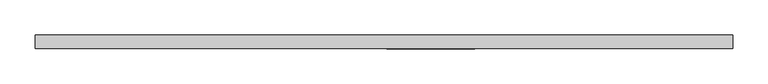
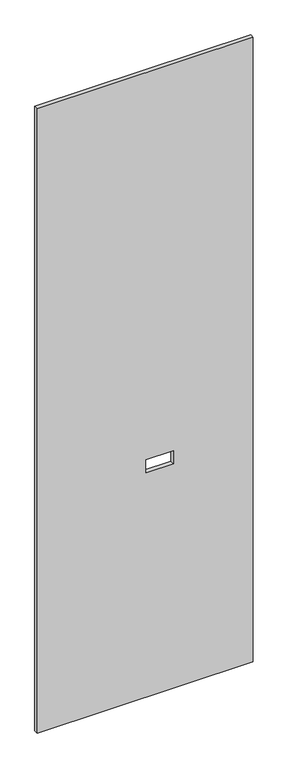
"""IFC4 building model written with IfcOpenShell, lengths in millimetres: proxy geometry."""

from ifc_helpers import new_model, si_unit, frame, origin, place, context, project, spatial, polyline, outline, extrude, source, transform, mapped, element, save


def specialty_equipment_da270d2b(model_context):
    return source(origin(), model_context, "Body", "SweptSolid", [
        extrude(outline(polyline([(3016.25, 493.4204), (3016.25, -493.4204), (3.175, -493.4204), (3.175, 493.4204), (3016.25, 493.4204)]), holes=[polyline([(1148.715, 128.524), (1086.485, 128.524), (1086.485, 4.064), (1148.715, 4.064), (1148.715, 128.524)])]), frame((0.0, -9.525, 0.0), z_axis=(0.0, 1.0, 0.0), x_axis=(0.0, 0.0, 1.0)), (0.0, 0.0, 1.0), 19.05),
    ])


if __name__ == "__main__":
    model = new_model("IFC4")
    model_context = context("Model", 3, world=origin())
    ifc_project = project(units=[si_unit("LENGTHUNIT", "METRE", prefix="MILLI")], contexts=[model_context])
    site = spatial("IfcSite", under=ifc_project)
    building = spatial("IfcBuilding", under=site)
    placement = place(None, origin())
    specialty_equipment_shape = specialty_equipment_da270d2b(model_context)
    element("IfcBuildingElementProxy", 1, Name="Specialty Equipment", at=placement, inside=building, context=model_context, shape_type="MappedRepresentation", body=[
        mapped(specialty_equipment_shape, transform((0.0, 0.0, 0.0), x_axis=(1.0, 0.0, 0.0), y_axis=(0.0, 1.0, 0.0), z_axis=(0.0, 0.0, 1.0))),
    ])
    save(model, "model.ifc")
